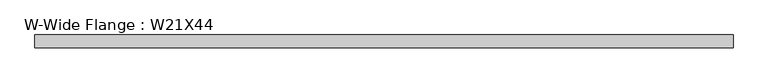
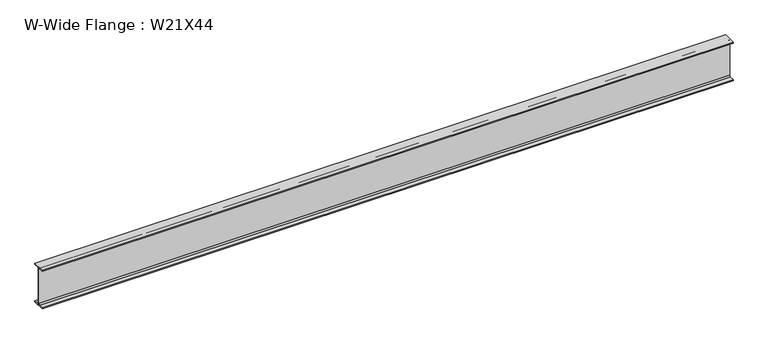
"""IFC4 building model written with IfcOpenShell, lengths in millimetres: beam geometry, W-Wide Flange : W21X44."""

from ifc_helpers import new_model, si_unit, point, frame, frame_2d, origin, place, context, project, spatial, polyline, circle_curve, trimmed, segment, composite_curve, outline, extrude, source, transform, mapped, element, save


def w_wide_flange_w21x44_e1dcebc3(model_context):
    return source(origin(), model_context, "Body", "SweptSolid", [
        extrude(outline(composite_curve([segment(polyline([(82.55, -251.4699219), (82.55, -262.8800781), (-82.55, -262.8800781), (-82.55, -251.4699219), (-21.6296875, -251.4699219)]), True, "CONTINUOUS"), segment(trimmed(circle_curve(frame_2d((-21.6296875, -234.3050781)), 17.1648437), [point((-21.6296875, -251.4699219))], [point((-4.4648438, -234.3050781))], True, "CARTESIAN"), True, "CONTINUOUS"), segment(polyline([(-4.4648438, -234.3050781), (-4.4648438, 234.3050781)]), True, "CONTINUOUS"), segment(trimmed(circle_curve(frame_2d((-21.6296875, 234.3050781)), 17.1648437), [point((-4.4648438, 234.3050781))], [point((-21.6296875, 251.4699219))], True, "CARTESIAN"), True, "CONTINUOUS"), segment(polyline([(-21.6296875, 251.4699219), (-82.55, 251.4699219), (-82.55, 262.8800781), (82.55, 262.8800781), (82.55, 251.4699219), (21.6296875, 251.4699219)]), True, "CONTINUOUS"), segment(trimmed(circle_curve(frame_2d((21.6296875, 234.3050781)), 17.1648437), [point((21.6296875, 251.4699219))], [point((4.4648437, 234.3050781))], True, "CARTESIAN"), True, "CONTINUOUS"), segment(polyline([(4.4648437, 234.3050781), (4.4648437, -234.3050781)]), True, "CONTINUOUS"), segment(trimmed(circle_curve(frame_2d((21.6296875, -234.3050781)), 17.1648437), [point((4.4648437, -234.3050781))], [point((21.6296875, -251.4699219))], True, "CARTESIAN"), True, "CONTINUOUS"), segment(polyline([(21.6296875, -251.4699219), (82.55, -251.4699219)]), True, "CONTINUOUS")], self_intersect=False)), frame((-4508.4503906, 0.0, 0.0), z_axis=(1.0, 0.0, 0.0), x_axis=(0.0, 1.0, 0.0)), (0.0, 0.0, 1.0), 8963.6203125),
    ])


if __name__ == "__main__":
    model = new_model("IFC4")
    model_context = context("Model", 3, world=origin())
    ifc_project = project(units=[si_unit("LENGTHUNIT", "METRE", prefix="MILLI")], contexts=[model_context])
    site = spatial("IfcSite", under=ifc_project)
    building = spatial("IfcBuilding", under=site)
    placement = place(None, origin())
    w_wide_flange_w21x44_shape = w_wide_flange_w21x44_e1dcebc3(model_context)
    element("IfcBeam", 1, ObjectType="W-Wide Flange : W21X44", at=placement, inside=building, context=model_context, shape_type="MappedRepresentation", body=[
        mapped(w_wide_flange_w21x44_shape, transform((0.0, 0.0, 0.0), x_axis=(1.0, 0.0, 0.0), y_axis=(0.0, 1.0, 0.0), z_axis=(0.0, 0.0, 1.0))),
    ])
    save(model, "model.ifc")
